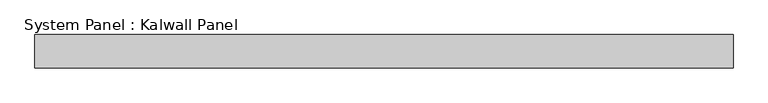
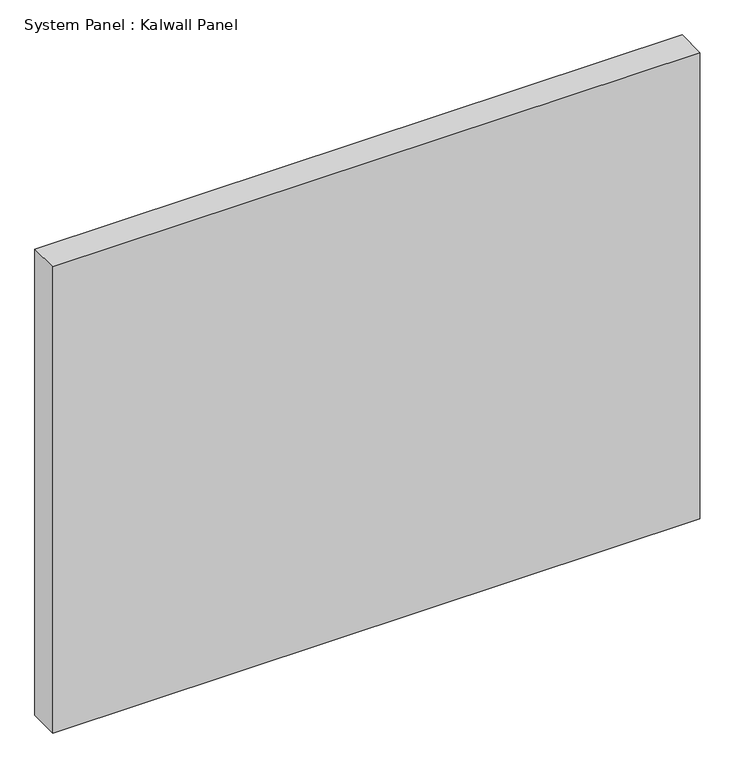
"""IFC4 building model written with IfcOpenShell, lengths in millimetres: plate geometry, System Panel : Kalwall Panel."""

from ifc_helpers import new_model, si_unit, origin, origin_with_axes, place, context, project, spatial, polyline, outline, extrude, source, transform, mapped, element, save


def system_panel_kalwall_panel_e7cefd19(model_context):
    return source(origin(), model_context, "Body", "SweptSolid", [
        extrude(outline(polyline([(733.7777778, 3.175), (-733.7777778, 3.175), (-733.7777778, 73.025), (733.7777778, 73.025), (733.7777778, 3.175)])), origin_with_axes(), (0.0, 0.0, 1.0), 1117.6),
    ])


if __name__ == "__main__":
    model = new_model("IFC4")
    model_context = context("Model", 3, world=origin())
    ifc_project = project(units=[si_unit("LENGTHUNIT", "METRE", prefix="MILLI")], contexts=[model_context])
    site = spatial("IfcSite", under=ifc_project)
    building = spatial("IfcBuilding", under=site)
    placement = place(None, origin())
    system_panel_kalwall_panel_shape = system_panel_kalwall_panel_e7cefd19(model_context)
    element("IfcPlate", 1, ObjectType="System Panel : Kalwall Panel", at=placement, inside=building, context=model_context, shape_type="MappedRepresentation", body=[
        mapped(system_panel_kalwall_panel_shape, transform((0.0, 0.0, 0.0), x_axis=(1.0, 0.0, 0.0), y_axis=(0.0, 1.0, 0.0), z_axis=(0.0, 0.0, 1.0))),
    ])
    save(model, "model.ifc")
